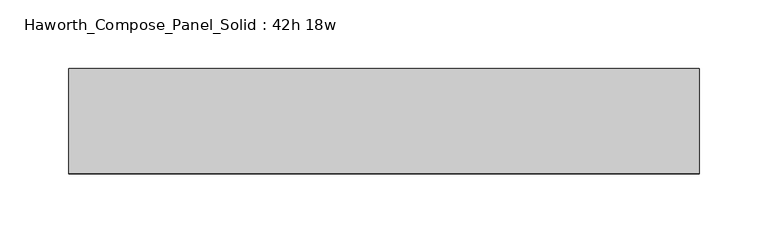
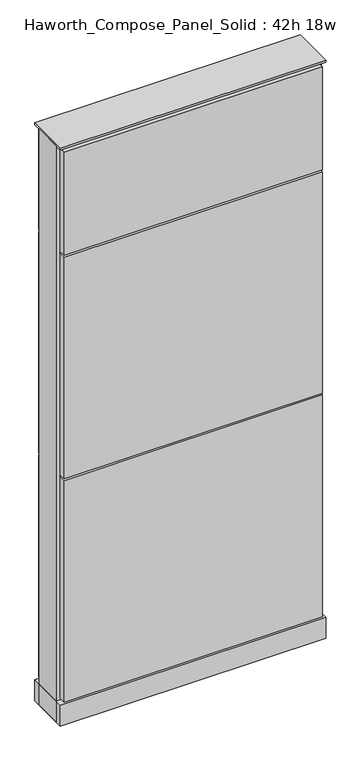
"""IFC4 building model written with IfcOpenShell, lengths in millimetres: furniture geometry, Haworth_Compose_Panel_Solid : 42h 18w."""

import ifcopenshell
import ifcopenshell.guid

model = None  # the IFC model being written
_history = None  # IfcOwnerHistory: only IFC2X3 demands one
_inside = {}  # id of a spatial element -> (the spatial element, [elements in it])
_under = {}  # id of a project, library or spatial element -> (it, [spatial elements below it])
_declared = {}  # id of a project -> (the project, [libraries it declares])
_typed = {}  # id of a type object -> (the type object, [elements of that type])
_made_of = {}  # id of a material, layer set ... -> (it, [elements and type objects made of it])


def new_model(schema):
    """Start an empty IFC model of exactly this schema.

    Asked for "IFC4X3", IfcOpenShell would pick the latest addendum, in which some entities
    have other attributes; the version numbers below select the first issue.
    IFC2X3 requires an IfcOwnerHistory on every rooted entity: one is made here for all.
    """
    global model, _history
    if schema == "IFC4X3":
        model = ifcopenshell.file(schema_version=(4, 3, 0, 0))
    else:
        model = ifcopenshell.file(schema=schema)
    _inside.clear()
    _under.clear()
    _declared.clear()
    _typed.clear()
    _made_of.clear()
    _history = None
    if model.schema == "IFC2X3":
        org = make("IfcOrganization", Name="unknown")
        user = make(
            "IfcPersonAndOrganization",
            ThePerson=make("IfcPerson", FamilyName="unknown"),
            TheOrganization=org,
        )
        app = make(
            "IfcApplication",
            ApplicationDeveloper=org,
            Version="unknown",
            ApplicationFullName="unknown",
            ApplicationIdentifier="unknown",
        )
        _history = make(
            "IfcOwnerHistory",
            OwningUser=user,
            OwningApplication=app,
            ChangeAction="ADDED",
            CreationDate=0,
        )
    return model


def make(cls, **values):
    """One entity of the class cls with the attributes given. An attribute that is None is left unset."""
    return model.create_entity(
        cls, **{name: value for name, value in values.items() if value is not None}
    )


def rooted(cls, **values):
    """An entity with a GlobalId (a new one), such as an element, a storey or a relation."""
    return make(cls, GlobalId=ifcopenshell.guid.new(), OwnerHistory=_history, **values)


def si_unit(unit_type, name, prefix=None):
    """IfcSIUnit, for example si_unit("LENGTHUNIT", "METRE", prefix="MILLI")."""
    return make("IfcSIUnit", UnitType=unit_type, Prefix=prefix, Name=name)


def assignment(units):
    """IfcUnitAssignment: the units of a project."""
    return None if units is None else make("IfcUnitAssignment", Units=units)


def point(xyz):
    """IfcCartesianPoint."""
    return None if xyz is None else make("IfcCartesianPoint", Coordinates=xyz)


def direction(xyz):
    """IfcDirection."""
    return None if xyz is None else make("IfcDirection", DirectionRatios=xyz)


def frame(location, z_axis=None, x_axis=None):
    """IfcAxis2Placement3D, a coordinate frame: its origin and axes. An axis left out is left unset."""
    return make(
        "IfcAxis2Placement3D",
        Location=point(location),
        Axis=direction(z_axis),
        RefDirection=direction(x_axis),
    )


def frame_2d(location, x_axis=None):
    """IfcAxis2Placement2D, a coordinate frame in the plane: its origin and x axis."""
    return make(
        "IfcAxis2Placement2D", Location=point(location), RefDirection=direction(x_axis)
    )


def origin():
    """The frame at (0, 0, 0) with its axes left unset."""
    return frame((0.0, 0.0, 0.0))


def origin_with_axes():
    """The frame at (0, 0, 0) with the z axis (0, 0, 1) and the x axis (1, 0, 0) written out."""
    return frame((0.0, 0.0, 0.0), z_axis=(0.0, 0.0, 1.0), x_axis=(1.0, 0.0, 0.0))


def place(relative_to, where):
    """IfcLocalPlacement: puts the frame where relative to a parent placement (None: the world)."""
    return make(
        "IfcLocalPlacement", PlacementRelTo=relative_to, RelativePlacement=where
    )


def context(
    kind, dimensions, precision=None, world=None, true_north=None, identifier=None
):
    """IfcGeometricRepresentationContext, for example the 3D "Model" context."""
    return make(
        "IfcGeometricRepresentationContext",
        ContextIdentifier=identifier,
        ContextType=kind,
        CoordinateSpaceDimension=dimensions,
        Precision=precision,
        WorldCoordinateSystem=world,
        TrueNorth=true_north,
    )


def project(units=None, contexts=None):
    """IfcProject with its units and contexts."""
    return rooted(
        "IfcProject",
        Name="project",
        RepresentationContexts=contexts,
        UnitsInContext=assignment(units),
    )


def spatial(cls, under=None, at=None, **own):
    """A site, building, storey or space (cls), placed at a placement, below another one or the project."""
    s = rooted(cls, ObjectPlacement=at, **own)
    if under is not None:
        _under.setdefault(under.id(), (under, []))[1].append(s)
    return s


def polyline(points):
    """IfcPolyline through the points."""
    return make("IfcPolyline", Points=[point(p) for p in points])


def circle_curve(where, radius):
    """IfcCircle in the frame where."""
    return make("IfcCircle", Position=where, Radius=radius)


def trimmed(basis, trim1, trim2, sense, master):
    """IfcTrimmedCurve: the piece of a basis curve between two trims."""
    return make(
        "IfcTrimmedCurve",
        BasisCurve=basis,
        Trim1=trim1,
        Trim2=trim2,
        SenseAgreement=sense,
        MasterRepresentation=master,
    )


def segment(curve, same_sense, transition):
    """IfcCompositeCurveSegment."""
    return make(
        "IfcCompositeCurveSegment",
        Transition=transition,
        SameSense=same_sense,
        ParentCurve=curve,
    )


def composite_curve(segments, self_intersect=None):
    """IfcCompositeCurve: segments joined end to end."""
    return make("IfcCompositeCurve", Segments=segments, SelfIntersect=self_intersect)


def outline(outer, holes=None, kind="AREA"):
    """IfcArbitraryClosedProfileDef: a profile drawn as a closed curve; with holes, ...WithVoids."""
    if holes is None:
        return make("IfcArbitraryClosedProfileDef", ProfileType=kind, OuterCurve=outer)
    return make(
        "IfcArbitraryProfileDefWithVoids",
        ProfileType=kind,
        OuterCurve=outer,
        InnerCurves=holes,
    )


def extrude(swept, where, along, depth):
    """IfcExtrudedAreaSolid: the profile swept, set in the frame where, extruded along a direction by depth."""
    return make(
        "IfcExtrudedAreaSolid",
        SweptArea=swept,
        Position=where,
        ExtrudedDirection=direction(along),
        Depth=depth,
    )


def shape(context_of_items, identifier, shape_type, items):
    """IfcShapeRepresentation: the items that make up one representation, for example the "Body"."""
    return make(
        "IfcShapeRepresentation",
        ContextOfItems=context_of_items,
        RepresentationIdentifier=identifier,
        RepresentationType=shape_type,
        Items=items,
    )


def source(mapping_origin, context_of_items, identifier, shape_type, items):
    """IfcRepresentationMap: a shape defined once, which mapped items show again and again."""
    return make(
        "IfcRepresentationMap",
        MappingOrigin=mapping_origin,
        MappedRepresentation=shape(context_of_items, identifier, shape_type, items),
    )


def transform(
    local_origin,
    x_axis=None,
    y_axis=None,
    z_axis=None,
    scale=None,
    scale2=None,
    scale3=None,
    uniform=True,
):
    """IfcCartesianTransformationOperator3D, or its non-uniform kind. x_axis, y_axis, z_axis: its Axis1, 2, 3."""
    if uniform:
        return make(
            "IfcCartesianTransformationOperator3D",
            Axis1=direction(x_axis),
            Axis2=direction(y_axis),
            LocalOrigin=point(local_origin),
            Scale=scale,
            Axis3=direction(z_axis),
        )
    return make(
        "IfcCartesianTransformationOperator3DnonUniform",
        Axis1=direction(x_axis),
        Axis2=direction(y_axis),
        LocalOrigin=point(local_origin),
        Scale=scale,
        Axis3=direction(z_axis),
        Scale2=scale2,
        Scale3=scale3,
    )


def mapped(mapping_source, mapping_target):
    """IfcMappedItem: shows the shape of a source again, moved by a transform."""
    return make(
        "IfcMappedItem", MappingSource=mapping_source, MappingTarget=mapping_target
    )


def made_of(thing, what):
    """Note that an element or type object is made of a material, layer set ...; save() writes the relation."""
    if what is not None:
        _made_of.setdefault(what.id(), (what, []))[1].append(thing)
    return thing


def element(
    cls,
    number,
    at=None,
    inside=None,
    cuts=None,
    type_object=None,
    material=None,
    context=None,
    identifier="Body",
    shape_type=None,
    held_by="IfcProductDefinitionShape",
    body=None,
    shapes=None,
    **own,
):
    """One element of the class cls, such as IfcWall. Its Tag is "e" and its number.

    at: its placement. inside: the storey or other place that contains it. cuts: it is an
    opening in that element (IfcRelVoidsElement). A single representation is given by context,
    identifier, shape_type and body (its items); several are given by shapes. held_by: the class
    of the entity that holds the representations. save() writes the other relations.
    """
    e = rooted(cls, Tag="e%d" % number, ObjectPlacement=at, **own)
    if body is not None:
        shapes = [shape(context, identifier, shape_type, body)]
    if shapes is not None:
        e.Representation = make(held_by, Representations=shapes)
    if inside is not None:
        _inside.setdefault(inside.id(), (inside, []))[1].append(e)
    if cuts is not None:
        rooted(
            "IfcRelVoidsElement", RelatingBuildingElement=cuts, RelatedOpeningElement=e
        )
    if type_object is not None:
        _typed.setdefault(type_object.id(), (type_object, []))[1].append(e)
    return made_of(e, material)


def aggregate(whole, parts):
    """IfcRelAggregates: a whole, such as a stair, and the parts it consists of."""
    return rooted("IfcRelAggregates", RelatingObject=whole, RelatedObjects=parts)


def save(model, path):
    """Write the relations noted so far, then the file.

    IfcRelAggregates (storeys below a building ...), IfcRelContainedInSpatialStructure (elements
    in a storey), IfcRelDefinesByType, IfcRelAssociatesMaterial and IfcRelDeclares: one each for
    every whole, place, type object, material and project.
    """
    for whole, parts in _under.values():
        aggregate(whole, parts)
    for where, things in _inside.values():
        rooted(
            "IfcRelContainedInSpatialStructure",
            RelatedElements=things,
            RelatingStructure=where,
        )
    for kind, things in _typed.values():
        rooted("IfcRelDefinesByType", RelatedObjects=things, RelatingType=kind)
    for what, things in _made_of.values():
        rooted("IfcRelAssociatesMaterial", RelatedObjects=things, RelatingMaterial=what)
    for by, libraries in _declared.values():
        rooted("IfcRelDeclares", RelatingContext=by, RelatedDefinitions=libraries)
    model.write(path)


def haworth_compose_panel_solid_42h_18w_aa2d65e9(model_context):
    return source(origin(), model_context, "Body", "SweptSolid", [
        extrude(outline(composite_curve([segment(trimmed(circle_curve(frame_2d((-149.9597098, 0.0)), 12.7), [point((-162.6597098, 0.0))], [point((-137.2597098, 0.0))], False, "CARTESIAN"), True, "CONTINUOUS"), segment(trimmed(circle_curve(frame_2d((-149.9597098, 0.0)), 12.7), [point((-137.2597098, 0.0))], [point((-162.6597098, 0.0))], False, "CARTESIAN"), True, "CONTINUOUS")], self_intersect=False)), origin_with_axes(), (0.0, 0.0, 1.0), 12.7),
        extrude(outline(composite_curve([segment(trimmed(circle_curve(frame_2d((154.8402902, 0.0)), 12.7), [point((142.1402902, 0.0))], [point((167.5402902, 0.0))], False, "CARTESIAN"), True, "CONTINUOUS"), segment(trimmed(circle_curve(frame_2d((154.8402902, 0.0)), 12.7), [point((167.5402902, 0.0))], [point((142.1402902, 0.0))], False, "CARTESIAN"), True, "CONTINUOUS")], self_intersect=False)), origin_with_axes(), (0.0, 0.0, 1.0), 12.7),
        extrude(outline(polyline([(224.6902902, 38.1), (224.6902902, 25.4), (-219.8097098, 25.4), (-219.8097098, 38.1), (224.6902902, 38.1)])), frame((0.0, 0.0, 866.775), z_axis=(0.0, 0.0, 1.0), x_axis=(1.0, 0.0, 0.0)), (0.0, 0.0, 1.0), 187.325),
        extrude(outline(polyline([(224.6902902, 38.1), (224.6902902, 25.4), (-219.8097098, 25.4), (-219.8097098, 38.1), (224.6902902, 38.1)])), frame((0.0, 0.0, 460.375), z_axis=(0.0, 0.0, 1.0), x_axis=(1.0, 0.0, 0.0)), (0.0, 0.0, 1.0), 403.225),
        extrude(outline(polyline([(224.6902902, 38.1), (224.6902902, 25.4), (-219.8097098, 25.4), (-219.8097098, 38.1), (224.6902902, 38.1)])), frame((0.0, 0.0, 53.975), z_axis=(0.0, 0.0, 1.0), x_axis=(1.0, 0.0, 0.0)), (0.0, 0.0, 1.0), 403.225),
        extrude(outline(polyline([(224.6902902, -38.1), (-219.8097098, -38.1), (-219.8097098, -25.4), (224.6902902, -25.4), (224.6902902, -38.1)])), frame((0.0, 0.0, 866.775), z_axis=(0.0, 0.0, 1.0), x_axis=(1.0, 0.0, 0.0)), (0.0, 0.0, 1.0), 187.325),
        extrude(outline(polyline([(224.6902902, -38.1), (-219.8097098, -38.1), (-219.8097098, -25.4), (224.6902902, -25.4), (224.6902902, -38.1)])), frame((0.0, 0.0, 460.375), z_axis=(0.0, 0.0, 1.0), x_axis=(1.0, 0.0, 0.0)), (0.0, 0.0, 1.0), 403.225),
        extrude(outline(polyline([(224.6902902, -38.1), (-219.8097098, -38.1), (-219.8097098, -25.4), (224.6902902, -25.4), (224.6902902, -38.1)])), frame((0.0, 0.0, 53.975), z_axis=(0.0, 0.0, 1.0), x_axis=(1.0, 0.0, 0.0)), (0.0, 0.0, 1.0), 403.225),
        extrude(outline(polyline([(231.0402902, 25.4), (231.0402902, -25.4), (-226.1597098, -25.4), (-226.1597098, 25.4), (231.0402902, 25.4)])), frame((0.0, 0.0, 12.7), z_axis=(0.0, 0.0, 1.0), x_axis=(1.0, 0.0, 0.0)), (0.0, 0.0, 1.0), 1047.75),
        extrude(outline(polyline([(-226.1597098, -38.1), (-226.1597098, 38.1), (231.0402902, 38.1), (231.0402902, -38.1), (-226.1597098, -38.1)])), frame((0.0, 0.0, 12.7), z_axis=(0.0, 0.0, 1.0), x_axis=(1.0, 0.0, 0.0)), (0.0, 0.0, 1.0), 38.1),
        extrude(outline(polyline([(-226.1597098, -38.1), (-226.1597098, 38.1), (231.0402902, 38.1), (231.0402902, -38.1), (-226.1597098, -38.1)])), frame((0.0, 0.0, 1060.45), z_axis=(0.0, 0.0, 1.0), x_axis=(1.0, 0.0, 0.0)), (0.0, 0.0, 1.0), 3.175),
    ])


if __name__ == "__main__":
    model = new_model("IFC4")
    model_context = context("Model", 3, world=origin())
    ifc_project = project(units=[si_unit("LENGTHUNIT", "METRE", prefix="MILLI")], contexts=[model_context])
    site = spatial("IfcSite", under=ifc_project)
    building = spatial("IfcBuilding", under=site)
    placement = place(None, origin())
    haworth_compose_panel_solid_42h_18w_shape = haworth_compose_panel_solid_42h_18w_aa2d65e9(model_context)
    element("IfcFurniture", 1, ObjectType="Haworth_Compose_Panel_Solid : 42h 18w", at=placement, inside=building, context=model_context, shape_type="MappedRepresentation", body=[
        mapped(haworth_compose_panel_solid_42h_18w_shape, transform((0.0, 0.0, 0.0), x_axis=(1.0, 0.0, 0.0), y_axis=(0.0, 1.0, 0.0), z_axis=(0.0, 0.0, 1.0))),
    ])
    save(model, "model.ifc")
